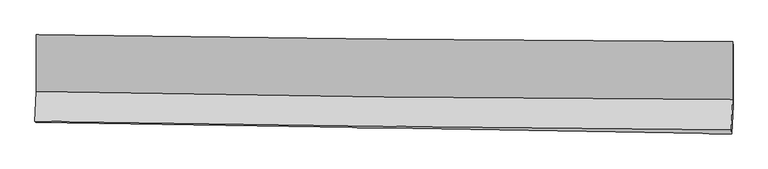
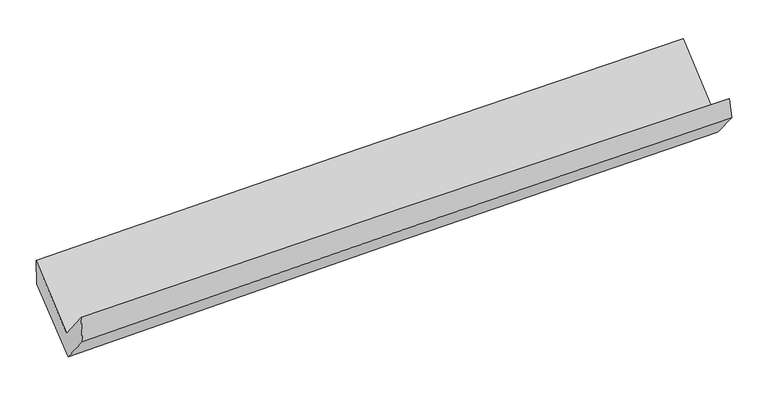
"""IFC4 building model written with IfcOpenShell, lengths in millimetres: proxy geometry."""

import ifcopenshell
import ifcopenshell.guid

model = None  # the IFC model being written
_history = None  # IfcOwnerHistory: only IFC2X3 demands one
_inside = {}  # id of a spatial element -> (the spatial element, [elements in it])
_under = {}  # id of a project, library or spatial element -> (it, [spatial elements below it])
_declared = {}  # id of a project -> (the project, [libraries it declares])
_typed = {}  # id of a type object -> (the type object, [elements of that type])
_made_of = {}  # id of a material, layer set ... -> (it, [elements and type objects made of it])


def new_model(schema):
    """Start an empty IFC model of exactly this schema.

    Asked for "IFC4X3", IfcOpenShell would pick the latest addendum, in which some entities
    have other attributes; the version numbers below select the first issue.
    IFC2X3 requires an IfcOwnerHistory on every rooted entity: one is made here for all.
    """
    global model, _history
    if schema == "IFC4X3":
        model = ifcopenshell.file(schema_version=(4, 3, 0, 0))
    else:
        model = ifcopenshell.file(schema=schema)
    _inside.clear()
    _under.clear()
    _declared.clear()
    _typed.clear()
    _made_of.clear()
    _history = None
    if model.schema == "IFC2X3":
        org = make("IfcOrganization", Name="unknown")
        user = make(
            "IfcPersonAndOrganization",
            ThePerson=make("IfcPerson", FamilyName="unknown"),
            TheOrganization=org,
        )
        app = make(
            "IfcApplication",
            ApplicationDeveloper=org,
            Version="unknown",
            ApplicationFullName="unknown",
            ApplicationIdentifier="unknown",
        )
        _history = make(
            "IfcOwnerHistory",
            OwningUser=user,
            OwningApplication=app,
            ChangeAction="ADDED",
            CreationDate=0,
        )
    return model


def make(cls, **values):
    """One entity of the class cls with the attributes given. An attribute that is None is left unset."""
    return model.create_entity(
        cls, **{name: value for name, value in values.items() if value is not None}
    )


def rooted(cls, **values):
    """An entity with a GlobalId (a new one), such as an element, a storey or a relation."""
    return make(cls, GlobalId=ifcopenshell.guid.new(), OwnerHistory=_history, **values)


def si_unit(unit_type, name, prefix=None):
    """IfcSIUnit, for example si_unit("LENGTHUNIT", "METRE", prefix="MILLI")."""
    return make("IfcSIUnit", UnitType=unit_type, Prefix=prefix, Name=name)


def assignment(units):
    """IfcUnitAssignment: the units of a project."""
    return None if units is None else make("IfcUnitAssignment", Units=units)


def point(xyz):
    """IfcCartesianPoint."""
    return None if xyz is None else make("IfcCartesianPoint", Coordinates=xyz)


def direction(xyz):
    """IfcDirection."""
    return None if xyz is None else make("IfcDirection", DirectionRatios=xyz)


def frame(location, z_axis=None, x_axis=None):
    """IfcAxis2Placement3D, a coordinate frame: its origin and axes. An axis left out is left unset."""
    return make(
        "IfcAxis2Placement3D",
        Location=point(location),
        Axis=direction(z_axis),
        RefDirection=direction(x_axis),
    )


def origin():
    """The frame at (0, 0, 0) with its axes left unset."""
    return frame((0.0, 0.0, 0.0))


def place(relative_to, where):
    """IfcLocalPlacement: puts the frame where relative to a parent placement (None: the world)."""
    return make(
        "IfcLocalPlacement", PlacementRelTo=relative_to, RelativePlacement=where
    )


def context(
    kind, dimensions, precision=None, world=None, true_north=None, identifier=None
):
    """IfcGeometricRepresentationContext, for example the 3D "Model" context."""
    return make(
        "IfcGeometricRepresentationContext",
        ContextIdentifier=identifier,
        ContextType=kind,
        CoordinateSpaceDimension=dimensions,
        Precision=precision,
        WorldCoordinateSystem=world,
        TrueNorth=true_north,
    )


def project(units=None, contexts=None):
    """IfcProject with its units and contexts."""
    return rooted(
        "IfcProject",
        Name="project",
        RepresentationContexts=contexts,
        UnitsInContext=assignment(units),
    )


def spatial(cls, under=None, at=None, **own):
    """A site, building, storey or space (cls), placed at a placement, below another one or the project."""
    s = rooted(cls, ObjectPlacement=at, **own)
    if under is not None:
        _under.setdefault(under.id(), (under, []))[1].append(s)
    return s


def shape(context_of_items, identifier, shape_type, items):
    """IfcShapeRepresentation: the items that make up one representation, for example the "Body"."""
    return make(
        "IfcShapeRepresentation",
        ContextOfItems=context_of_items,
        RepresentationIdentifier=identifier,
        RepresentationType=shape_type,
        Items=items,
    )


def source(mapping_origin, context_of_items, identifier, shape_type, items):
    """IfcRepresentationMap: a shape defined once, which mapped items show again and again."""
    return make(
        "IfcRepresentationMap",
        MappingOrigin=mapping_origin,
        MappedRepresentation=shape(context_of_items, identifier, shape_type, items),
    )


def transform(
    local_origin,
    x_axis=None,
    y_axis=None,
    z_axis=None,
    scale=None,
    scale2=None,
    scale3=None,
    uniform=True,
):
    """IfcCartesianTransformationOperator3D, or its non-uniform kind. x_axis, y_axis, z_axis: its Axis1, 2, 3."""
    if uniform:
        return make(
            "IfcCartesianTransformationOperator3D",
            Axis1=direction(x_axis),
            Axis2=direction(y_axis),
            LocalOrigin=point(local_origin),
            Scale=scale,
            Axis3=direction(z_axis),
        )
    return make(
        "IfcCartesianTransformationOperator3DnonUniform",
        Axis1=direction(x_axis),
        Axis2=direction(y_axis),
        LocalOrigin=point(local_origin),
        Scale=scale,
        Axis3=direction(z_axis),
        Scale2=scale2,
        Scale3=scale3,
    )


def mapped(mapping_source, mapping_target):
    """IfcMappedItem: shows the shape of a source again, moved by a transform."""
    return make(
        "IfcMappedItem", MappingSource=mapping_source, MappingTarget=mapping_target
    )


def made_of(thing, what):
    """Note that an element or type object is made of a material, layer set ...; save() writes the relation."""
    if what is not None:
        _made_of.setdefault(what.id(), (what, []))[1].append(thing)
    return thing


def element(
    cls,
    number,
    at=None,
    inside=None,
    cuts=None,
    type_object=None,
    material=None,
    context=None,
    identifier="Body",
    shape_type=None,
    held_by="IfcProductDefinitionShape",
    body=None,
    shapes=None,
    **own,
):
    """One element of the class cls, such as IfcWall. Its Tag is "e" and its number.

    at: its placement. inside: the storey or other place that contains it. cuts: it is an
    opening in that element (IfcRelVoidsElement). A single representation is given by context,
    identifier, shape_type and body (its items); several are given by shapes. held_by: the class
    of the entity that holds the representations. save() writes the other relations.
    """
    e = rooted(cls, Tag="e%d" % number, ObjectPlacement=at, **own)
    if body is not None:
        shapes = [shape(context, identifier, shape_type, body)]
    if shapes is not None:
        e.Representation = make(held_by, Representations=shapes)
    if inside is not None:
        _inside.setdefault(inside.id(), (inside, []))[1].append(e)
    if cuts is not None:
        rooted(
            "IfcRelVoidsElement", RelatingBuildingElement=cuts, RelatedOpeningElement=e
        )
    if type_object is not None:
        _typed.setdefault(type_object.id(), (type_object, []))[1].append(e)
    return made_of(e, material)


def aggregate(whole, parts):
    """IfcRelAggregates: a whole, such as a stair, and the parts it consists of."""
    return rooted("IfcRelAggregates", RelatingObject=whole, RelatedObjects=parts)


def save(model, path):
    """Write the relations noted so far, then the file.

    IfcRelAggregates (storeys below a building ...), IfcRelContainedInSpatialStructure (elements
    in a storey), IfcRelDefinesByType, IfcRelAssociatesMaterial and IfcRelDeclares: one each for
    every whole, place, type object, material and project.
    """
    for whole, parts in _under.values():
        aggregate(whole, parts)
    for where, things in _inside.values():
        rooted(
            "IfcRelContainedInSpatialStructure",
            RelatedElements=things,
            RelatingStructure=where,
        )
    for kind, things in _typed.values():
        rooted("IfcRelDefinesByType", RelatedObjects=things, RelatingType=kind)
    for what, things in _made_of.values():
        rooted("IfcRelAssociatesMaterial", RelatedObjects=things, RelatingMaterial=what)
    for by, libraries in _declared.values():
        rooted("IfcRelDeclares", RelatingContext=by, RelatedDefinitions=libraries)
    model.write(path)


def plane_surface(at):
    """IfcPlane: the flat surface through the origin of the frame at, square to its z axis."""
    return make("IfcPlane", Position=at)


def spline_curve(degree, points, multiplicities, knots, weights=None):
    """IfcBSplineCurveWithKnots; with weights, IfcRationalBSplineCurveWithKnots."""
    own = dict(
        Degree=degree,
        ControlPointsList=[point(p) for p in points],
        CurveForm="UNSPECIFIED",
        ClosedCurve=False,
        SelfIntersect=False,
        KnotMultiplicities=multiplicities,
        Knots=knots,
        KnotSpec="UNSPECIFIED",
    )
    if weights is None:
        return make("IfcBSplineCurveWithKnots", **own)
    return make("IfcRationalBSplineCurveWithKnots", WeightsData=weights, **own)


def spline_surface(u_degree, v_degree, points, u_multiplicities, v_multiplicities, u_knots, v_knots, weights=None):
    """IfcBSplineSurfaceWithKnots; with weights, IfcRationalBSplineSurfaceWithKnots. points: one row for each step in u."""
    own = dict(
        UDegree=u_degree,
        VDegree=v_degree,
        ControlPointsList=[[point(p) for p in row] for row in points],
        SurfaceForm="UNSPECIFIED",
        UClosed=False,
        VClosed=False,
        SelfIntersect=False,
        UMultiplicities=u_multiplicities,
        VMultiplicities=v_multiplicities,
        UKnots=u_knots,
        VKnots=v_knots,
        KnotSpec="UNSPECIFIED",
    )
    if weights is None:
        return make("IfcBSplineSurfaceWithKnots", **own)
    return make("IfcRationalBSplineSurfaceWithKnots", WeightsData=weights, **own)


def advanced_brep(points, edges, surfaces, faces):
    """IfcAdvancedBrep: a solid bounded by faces that lie on surfaces and meet in shared edges.

    An edge is (start, end): straight between two places in points (the first is 0);
    or (start, end, curve); or (start, end, curve, False) where it runs against its curve.
    A face is (place in surfaces, loops), or (place, loops, False) where it looks against
    its surface's normal. A loop lists edges by number (the first is 1), with a minus sign
    where the edge is run from its end to its start. The first loop is the outer one.
    """
    corners = [point(p) for p in points]
    vertices = [make("IfcVertexPoint", VertexGeometry=c) for c in corners]
    made = []
    for start, end, *more in edges:
        made.append(
            make(
                "IfcEdgeCurve",
                EdgeStart=vertices[start],
                EdgeEnd=vertices[end],
                EdgeGeometry=more[0] if more else make("IfcPolyline", Points=[corners[start], corners[end]]),
                SameSense=more[1] if len(more) > 1 else True,
            )
        )
    hull = []
    for where, loops, *sense in faces:
        bounds = []
        for j, loop in enumerate(loops):
            ring = [make("IfcOrientedEdge", EdgeElement=made[abs(k) - 1], Orientation=k > 0) for k in loop]
            bounds.append(
                make(
                    "IfcFaceOuterBound" if j == 0 else "IfcFaceBound",
                    Bound=make("IfcEdgeLoop", EdgeList=ring),
                    Orientation=True,
                )
            )
        hull.append(make("IfcAdvancedFace", Bounds=bounds, FaceSurface=surfaces[where], SameSense=sense[0] if sense else True))
    return make("IfcAdvancedBrep", Outer=make("IfcClosedShell", CfsFaces=hull))


def generic_models_ed8cade8(model_context):
    return source(origin(), model_context, "Body", "AdvancedBrep", [
        advanced_brep(
        [(-3027.3651896, -1188.6661259, 2180.2769561), (-3025.1106595, -1681.9499024, 1757.1122219), (3015.6131437, -1752.3919337, 1873.5779775), (3015.2601557, -1247.7664259, 2306.5510896), (-3037.7076364, -1939.8170157, 2076.3825312), (3003.1722518, -2016.6161047, 2181.5182657), (-3031.7138447, -1949.5403071, 1834.6191205), (3006.4716914, -2051.6166608, 2012.806612), (-3019.6608519, -1699.3249818, 1531.5000019), (3018.4480572, -1802.9920828, 1711.6145771), (-3021.3701943, -1189.3396744, 1944.6068558), (3018.6689193, -1289.1571861, 2127.9164562)],
        [
            (0, 1),
            (1, 2, spline_curve(3, [(-3025.1106595, -1681.9499024, 1757.1122219), (-2018.76247562, -1701.710458795, 1783.294278844), (-1012.274297843, -1717.460612425, 1806.089788911), (1001.300214761, -1740.943825408, 1844.913848363), (2008.386637904, -1748.674348585, 1860.94025714), (3015.6131437, -1752.3919337, 1873.5779775)], [4, 2, 4], [0.0, 9.912041997019006, 19.827216935998635])),
            (2, 3),
            (3, 0, spline_curve(3, [(3015.2601557, -1247.7664259, 2306.5510896), (2007.676834486, -1242.14486841, 2295.532633646), (1000.253519782, -1234.407952222, 2279.498106021), (-1013.954827311, -1214.706515845, 2237.403559031), (-2020.739961172, -1202.743331845, 2211.346708685), (-3027.3651896, -1188.6661259, 2180.2769561)], [4, 2, 4], [0.0, 9.915174938979629, 19.827216935998635])),
            (1, 4),
            (4, 5, spline_curve(3, [(-3037.7076364, -1939.8170157, 2076.3825312), (-2031.285375672, -1956.553778857, 2102.01940266), (-1024.747150626, -1971.3213848, 2123.598406487), (988.879405567, -1996.922325861, 2158.646216894), (1995.967809997, -2007.754416739, 2172.112457886), (3003.1722518, -2016.6161047, 2181.5182657)], [4, 2, 4], [0.0, 9.91041977027279, 19.823971969761985])),
            (5, 2),
            (4, 6),
            (6, 7, spline_curve(3, [(-3031.7138447, -1949.5403071, 1834.6191205), (-2025.624853917, -1964.473443848, 1871.887395853), (-1019.477748329, -1980.444867074, 1905.368743076), (993.250726763, -2014.469661658, 1964.766968168), (1999.832133346, -2032.523690052, 1990.681451103), (3006.4716914, -2051.6166608, 2012.806612)], [4, 2, 4], [0.0, 9.909704863992493, 19.822541931237872])),
            (7, 5),
            (6, 8),
            (8, 9, spline_curve(3, [(-3019.6608519, -1699.3249818, 1531.5000019), (-2013.458440247, -1711.903546738, 1565.915871088), (-1007.260998948, -1726.830018223, 1598.131329768), (1005.441973751, -1761.384234365, 1658.170912418), (2011.947502269, -1781.013463135, 1685.993645682), (3018.4480572, -1802.9920828, 1711.6145771)], [4, 2, 4], [0.0, 9.90939479856847, 19.821921702386106])),
            (9, 7),
            (8, 10),
            (10, 11, spline_curve(3, [(-3021.3701943, -1189.3396744, 1944.6068558), (-2014.868896423, -1202.570603045, 1978.506006214), (-1008.361189075, -1217.502610295, 2010.729232555), (1004.985178343, -1250.774038396, 2071.833492063), (2011.823842071, -1269.114535297, 2100.713466028), (3018.6689193, -1289.1571861, 2127.9164562)], [4, 2, 4], [0.0, 9.910985159179226, 19.825102926279772])),
            (11, 9),
            (10, 0),
            (3, 11),
        ],
        [
            spline_surface(3, 3, [[(-3027.3651896, -1188.6661259, 2180.2769561), (-2020.739961086, -1202.743331887, 2211.346708652), (-1013.954827446, -1214.706515751, 2237.403558912), (1000.253519917, -1234.407952317, 2279.49810614), (2007.676834651, -1242.144868496, 2295.532633724), (3015.2601557, -1247.7664259, 2306.5510896)], [(-3026.613679538, -1353.094051386, 2039.222044706), (-2020.080799232, -1369.065707529, 2068.662565435), (-1013.394650918, -1382.291214683, 2093.632302215), (1000.602418172, -1403.25324329, 2134.636686915), (2007.913435761, -1410.988028558, 2150.668508203), (3015.377818352, -1415.974928524, 2162.226718882)], [(-3025.862169562, -1517.521976914, 1898.167133294), (-2019.421637463, -1535.388083213, 1925.978422198), (-1012.834474341, -1549.875913641, 1949.861045513), (1000.951316475, -1572.098534287, 1989.775267684), (2008.150036917, -1579.831188548, 2005.804382737), (3015.495481048, -1584.183431076, 2017.902348218)], [(-3025.1106595, -1681.9499024, 1757.1122219), (-2018.762475609, -1701.710458854, 1783.294278981), (-1012.274297812, -1717.460612573, 1806.089788816), (1001.30021473, -1740.94382526, 1844.913848459), (2008.386638027, -1748.67434861, 1860.940257216), (3015.6131437, -1752.3919337, 1873.5779775)]], [4, 4], [4, 2, 4], [0.0, 2.181485485244787], [0.0, 9.912041997019006, 19.827216935998635]),
            spline_surface(3, 3, [[(-3025.1106595, -1681.9499024, 1757.1122219), (-2018.762475609, -1701.710458854, 1783.294278981), (-1012.274297812, -1717.460612573, 1806.089788816), (1001.30021473, -1740.94382526, 1844.913848459), (2008.386638027, -1748.67434861, 1860.940257216), (3015.6131437, -1752.3919337, 1873.5779775)], [(-3029.309651822, -1767.905606839, 1863.535658303), (-2022.936775615, -1786.658232249, 1889.535986858), (-1016.431915384, -1802.080869946, 1911.92599472), (997.159945004, -1826.269992177, 1949.491304627), (2004.24702865, -1835.034371284, 1964.664324141), (3011.466179725, -1840.466657346, 1976.224740253)], [(-3033.508644078, -1853.861311261, 1969.959094797), (-2027.111075555, -1871.606005626, 1995.777694824), (-1020.589532999, -1886.701127298, 2017.762200569), (993.019675237, -1911.596159073, 2054.06876074), (2000.107419297, -1921.394394021, 2068.388391005), (3007.319215775, -1928.541381054, 2078.871502947)], [(-3037.7076364, -1939.8170157, 2076.3825312), (-2031.285375561, -1956.553779021, 2102.019402701), (-1024.747150571, -1971.321384671, 2123.598406473), (988.879405512, -1996.92232599, 2158.646216908), (1995.96780992, -2007.754416696, 2172.112457929), (3003.1722518, -2016.6161047, 2181.5182657)]], [4, 4], [4, 2, 4], [0.0, 1.3316938190769156], [0.0, 9.91041977027279, 19.823971969761985]),
            spline_surface(3, 3, [[(-3037.7076364, -1939.8170157, 2076.3825312), (-2031.285375561, -1956.553779021, 2102.019402701), (-1024.747150571, -1971.321384671, 2123.598406473), (988.879405512, -1996.92232599, 2158.646216908), (1995.96780992, -2007.754416696, 2172.112457929), (3003.1722518, -2016.6161047, 2181.5182657)], [(-3035.709705818, -1943.058112821, 1995.794727647), (-2029.398534968, -1959.193667323, 2025.30873375), (-1022.990683212, -1974.362545432, 2050.855185379), (990.336512609, -2002.771437913, 2094.019800595), (1997.2559178, -2016.010841138, 2111.63545564), (3004.272065025, -2028.282956757, 2125.281047792)], [(-3033.711775282, -1946.299209979, 1915.206924053), (-2027.511694423, -1961.833555664, 1948.598064757), (-1021.234215792, -1977.403706203, 1978.111964327), (991.793619769, -2008.620549845, 2029.393384324), (1998.544025604, -2024.267265511, 2051.158453375), (3005.371878175, -2039.949808743, 2069.043829908)], [(-3031.7138447, -1949.5403071, 1834.6191205), (-2025.624853831, -1964.473443967, 1871.887395805), (-1019.477748433, -1980.444866965, 1905.368743233), (993.250726867, -2014.469661768, 1964.766968011), (1999.832133484, -2032.523689954, 1990.681451086), (3006.4716914, -2051.6166608, 2012.806612)]], [4, 4], [4, 2, 4], [0.0, 0.6776181972113801], [0.0, 9.909704863992493, 19.822541931237872]),
            spline_surface(3, 3, [[(-3031.7138447, -1949.5403071, 1834.6191205), (-2025.624853831, -1964.473443967, 1871.887395805), (-1019.477748433, -1980.444866965, 1905.368743233), (993.250726867, -2014.469661768, 1964.766968011), (1999.832133484, -2032.523689954, 1990.681451086), (3006.4716914, -2051.6166608, 2012.806612)], [(-3027.696180437, -1866.135198678, 1733.579414297), (-2021.569382614, -1880.283478273, 1769.89688755), (-1015.40549861, -1895.906584084, 1802.956272021), (997.314475867, -1930.107852572, 1862.568282856), (2003.87058976, -1948.686947631, 1889.118849303), (3010.46381331, -1968.741801438, 1912.409267041)], [(-3023.678516163, -1782.730090222, 1632.539708103), (-2017.513911388, -1796.093512543, 1667.906379303), (-1011.333248838, -1811.368301246, 1700.543800831), (1001.378224818, -1845.746043418, 1760.369597722), (2007.909046105, -1864.850205394, 1787.556247496), (3014.45593529, -1885.866942162, 1812.011922059)], [(-3019.6608519, -1699.3249818, 1531.5000019), (-2013.458440171, -1711.903546849, 1565.915871048), (-1007.260999015, -1726.830018365, 1598.131329619), (1005.441973818, -1761.384234222, 1658.170912567), (2011.947502381, -1781.013463071, 1685.993645713), (3018.4480572, -1802.9920828, 1711.6145771)]], [4, 4], [4, 2, 4], [0.0, 1.3063058935221277], [0.0, 9.90939479856847, 19.821921702386106]),
            spline_surface(3, 3, [[(-3019.6608519, -1699.3249818, 1531.5000019), (-2013.458440171, -1711.903546849, 1565.915871048), (-1007.260999015, -1726.830018365, 1598.131329619), (1005.441973818, -1761.384234222, 1658.170912567), (2011.947502381, -1781.013463071, 1685.993645713), (3018.4480572, -1802.9920828, 1711.6145771)], [(-3020.230632704, -1529.329879326, 1669.202286542), (-2013.928592236, -1542.125898905, 1703.445916075), (-1007.627728989, -1557.054215624, 1735.663963883), (1005.289708613, -1591.180835668, 1796.058439093), (2011.906282254, -1610.380487182, 1824.233585797), (3018.521677901, -1631.713783932, 1850.381870132)], [(-3020.800413496, -1359.334776874, 1806.904571158), (-2014.398744289, -1372.348250982, 1840.975961076), (-1007.994458963, -1387.278412877, 1873.196598178), (1005.13744341, -1420.977437109, 1933.945965649), (2011.865062126, -1439.747511198, 1962.473525885), (3018.595298599, -1460.435484968, 1989.149163168)], [(-3021.3701943, -1189.3396744, 1944.6068558), (-2014.868896354, -1202.570603038, 1978.506006102), (-1008.361188937, -1217.502610136, 2010.729232442), (1004.985178205, -1250.774038555, 2071.833492176), (2011.823841999, -1269.11453531, 2100.71346597), (3018.6689193, -1289.1571861, 2127.9164562)]], [4, 4], [4, 2, 4], [0.0, 2.153255306790724], [0.0, 9.910985159179226, 19.825102926279772]),
            spline_surface(3, 3, [[(-3021.3701943, -1189.3396744, 1944.6068558), (-2014.868896354, -1202.570603038, 1978.506006102), (-1008.361188937, -1217.502610136, 2010.729232442), (1004.985178205, -1250.774038555, 2071.833492176), (2011.823841999, -1269.11453531, 2100.71346597), (3018.6689193, -1289.1571861, 2127.9164562)], [(-3023.368526081, -1189.115158249, 2023.163555904), (-2016.825917946, -1202.628179337, 2056.119573623), (-1010.2257351, -1216.570578691, 2086.287341277), (1003.407958783, -1245.318676492, 2141.055030175), (2010.441506236, -1260.124646343, 2165.653188554), (3017.532664787, -1275.360266004, 2187.461334)], [(-3025.366857819, -1188.890642051, 2101.720255996), (-2018.782939494, -1202.685755588, 2133.733141131), (-1012.090281283, -1215.638547196, 2161.845450077), (1001.83073934, -1239.863314379, 2210.276568141), (2009.059170414, -1251.134757463, 2230.59291114), (3016.396410213, -1261.563345996, 2247.0062118)], [(-3027.3651896, -1188.6661259, 2180.2769561), (-2020.739961086, -1202.743331887, 2211.346708652), (-1013.954827446, -1214.706515751, 2237.403558912), (1000.253519917, -1234.407952317, 2279.49810614), (2007.676834651, -1242.144868496, 2295.532633724), (3015.2601557, -1247.7664259, 2306.5510896)]], [4, 4], [4, 2, 4], [0.0, 0.713382887356604], [0.0, 9.912929456635952, 19.828992135735724]),
            plane_surface(frame((3012.9390365, -1693.423399, 2035.664163), z_axis=(0.9995301517279508, -0.01955322977593687, 0.023603961363071888), x_axis=(0.00033397562945902855, 0.7769931157706962, 0.6295090043082978))),
            plane_surface(frame((-3027.1547294, -1608.1063345, 1887.4162812), z_axis=(-0.9995259882468445, 0.017285873439779078, -0.02547542734858568), x_axis=(0.02542975179031637, -0.0028570781102220436, -0.9996725287955827))),
        ],
        [
            (0, [[1, 2, 3, 4]]),
            (1, [[5, 6, 7, -2]]),
            (2, [[8, 9, 10, -6]]),
            (3, [[11, 12, 13, -9]]),
            (4, [[14, 15, 16, -12]]),
            (5, [[17, -4, 18, -15]]),
            (6, [[-16, -18, -3, -7, -10, -13]]),
            (7, [[-17, -14, -11, -8, -5, -1]]),
        ],
    ),
    ])


if __name__ == "__main__":
    model = new_model("IFC4")
    model_context = context("Model", 3, world=origin())
    ifc_project = project(units=[si_unit("LENGTHUNIT", "METRE", prefix="MILLI")], contexts=[model_context])
    site = spatial("IfcSite", under=ifc_project)
    building = spatial("IfcBuilding", under=site)
    placement = place(None, origin())
    generic_models_shape = generic_models_ed8cade8(model_context)
    element("IfcBuildingElementProxy", 1, Name="Generic Models", at=placement, inside=building, context=model_context, shape_type="MappedRepresentation", body=[
        mapped(generic_models_shape, transform((0.0, 0.0, 0.0), x_axis=(1.0, 0.0, 0.0), y_axis=(0.0, 1.0, 0.0), z_axis=(0.0, 0.0, 1.0))),
    ])
    save(model, "model.ifc")
